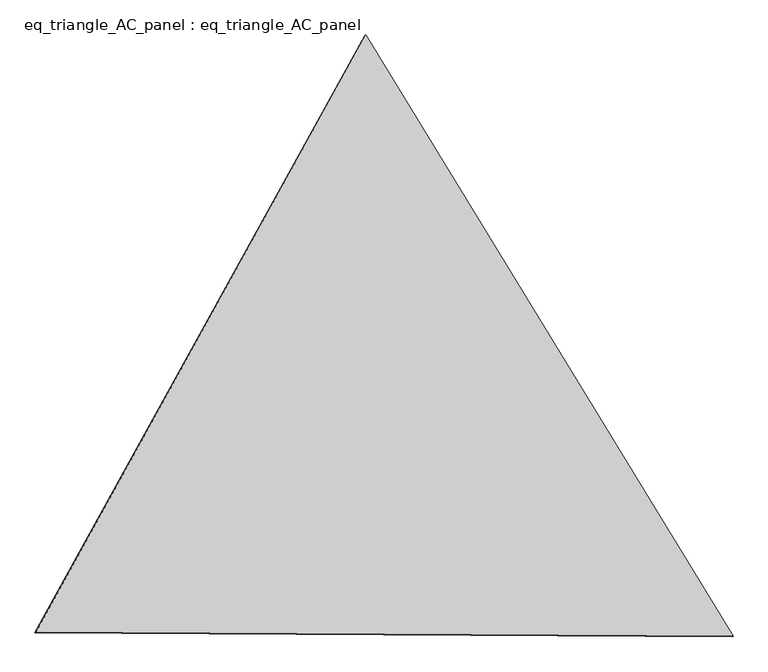
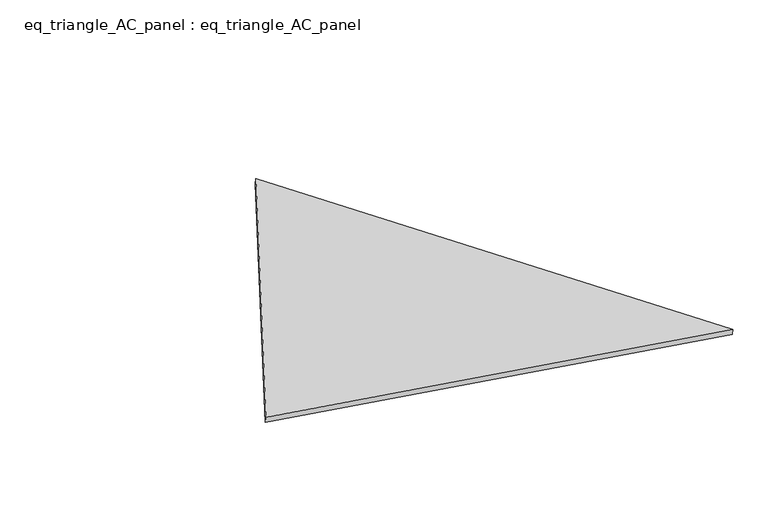
"""IFC4 building model written with IfcOpenShell, lengths in millimetres: proxy geometry, eq_triangle_AC_panel : eq_triangle_AC_panel."""

import ifcopenshell
import ifcopenshell.guid

model = None  # the IFC model being written
_history = None  # IfcOwnerHistory: only IFC2X3 demands one
_inside = {}  # id of a spatial element -> (the spatial element, [elements in it])
_under = {}  # id of a project, library or spatial element -> (it, [spatial elements below it])
_declared = {}  # id of a project -> (the project, [libraries it declares])
_typed = {}  # id of a type object -> (the type object, [elements of that type])
_made_of = {}  # id of a material, layer set ... -> (it, [elements and type objects made of it])


def new_model(schema):
    """Start an empty IFC model of exactly this schema.

    Asked for "IFC4X3", IfcOpenShell would pick the latest addendum, in which some entities
    have other attributes; the version numbers below select the first issue.
    IFC2X3 requires an IfcOwnerHistory on every rooted entity: one is made here for all.
    """
    global model, _history
    if schema == "IFC4X3":
        model = ifcopenshell.file(schema_version=(4, 3, 0, 0))
    else:
        model = ifcopenshell.file(schema=schema)
    _inside.clear()
    _under.clear()
    _declared.clear()
    _typed.clear()
    _made_of.clear()
    _history = None
    if model.schema == "IFC2X3":
        org = make("IfcOrganization", Name="unknown")
        user = make(
            "IfcPersonAndOrganization",
            ThePerson=make("IfcPerson", FamilyName="unknown"),
            TheOrganization=org,
        )
        app = make(
            "IfcApplication",
            ApplicationDeveloper=org,
            Version="unknown",
            ApplicationFullName="unknown",
            ApplicationIdentifier="unknown",
        )
        _history = make(
            "IfcOwnerHistory",
            OwningUser=user,
            OwningApplication=app,
            ChangeAction="ADDED",
            CreationDate=0,
        )
    return model


def make(cls, **values):
    """One entity of the class cls with the attributes given. An attribute that is None is left unset."""
    return model.create_entity(
        cls, **{name: value for name, value in values.items() if value is not None}
    )


def rooted(cls, **values):
    """An entity with a GlobalId (a new one), such as an element, a storey or a relation."""
    return make(cls, GlobalId=ifcopenshell.guid.new(), OwnerHistory=_history, **values)


def si_unit(unit_type, name, prefix=None):
    """IfcSIUnit, for example si_unit("LENGTHUNIT", "METRE", prefix="MILLI")."""
    return make("IfcSIUnit", UnitType=unit_type, Prefix=prefix, Name=name)


def assignment(units):
    """IfcUnitAssignment: the units of a project."""
    return None if units is None else make("IfcUnitAssignment", Units=units)


def point(xyz):
    """IfcCartesianPoint."""
    return None if xyz is None else make("IfcCartesianPoint", Coordinates=xyz)


def direction(xyz):
    """IfcDirection."""
    return None if xyz is None else make("IfcDirection", DirectionRatios=xyz)


def frame(location, z_axis=None, x_axis=None):
    """IfcAxis2Placement3D, a coordinate frame: its origin and axes. An axis left out is left unset."""
    return make(
        "IfcAxis2Placement3D",
        Location=point(location),
        Axis=direction(z_axis),
        RefDirection=direction(x_axis),
    )


def origin():
    """The frame at (0, 0, 0) with its axes left unset."""
    return frame((0.0, 0.0, 0.0))


def place(relative_to, where):
    """IfcLocalPlacement: puts the frame where relative to a parent placement (None: the world)."""
    return make(
        "IfcLocalPlacement", PlacementRelTo=relative_to, RelativePlacement=where
    )


def context(
    kind, dimensions, precision=None, world=None, true_north=None, identifier=None
):
    """IfcGeometricRepresentationContext, for example the 3D "Model" context."""
    return make(
        "IfcGeometricRepresentationContext",
        ContextIdentifier=identifier,
        ContextType=kind,
        CoordinateSpaceDimension=dimensions,
        Precision=precision,
        WorldCoordinateSystem=world,
        TrueNorth=true_north,
    )


def project(units=None, contexts=None):
    """IfcProject with its units and contexts."""
    return rooted(
        "IfcProject",
        Name="project",
        RepresentationContexts=contexts,
        UnitsInContext=assignment(units),
    )


def spatial(cls, under=None, at=None, **own):
    """A site, building, storey or space (cls), placed at a placement, below another one or the project."""
    s = rooted(cls, ObjectPlacement=at, **own)
    if under is not None:
        _under.setdefault(under.id(), (under, []))[1].append(s)
    return s


def polyline(points):
    """IfcPolyline through the points."""
    return make("IfcPolyline", Points=[point(p) for p in points])


def outline(outer, holes=None, kind="AREA"):
    """IfcArbitraryClosedProfileDef: a profile drawn as a closed curve; with holes, ...WithVoids."""
    if holes is None:
        return make("IfcArbitraryClosedProfileDef", ProfileType=kind, OuterCurve=outer)
    return make(
        "IfcArbitraryProfileDefWithVoids",
        ProfileType=kind,
        OuterCurve=outer,
        InnerCurves=holes,
    )


def extrude(swept, where, along, depth):
    """IfcExtrudedAreaSolid: the profile swept, set in the frame where, extruded along a direction by depth."""
    return make(
        "IfcExtrudedAreaSolid",
        SweptArea=swept,
        Position=where,
        ExtrudedDirection=direction(along),
        Depth=depth,
    )


def shape(context_of_items, identifier, shape_type, items):
    """IfcShapeRepresentation: the items that make up one representation, for example the "Body"."""
    return make(
        "IfcShapeRepresentation",
        ContextOfItems=context_of_items,
        RepresentationIdentifier=identifier,
        RepresentationType=shape_type,
        Items=items,
    )


def source(mapping_origin, context_of_items, identifier, shape_type, items):
    """IfcRepresentationMap: a shape defined once, which mapped items show again and again."""
    return make(
        "IfcRepresentationMap",
        MappingOrigin=mapping_origin,
        MappedRepresentation=shape(context_of_items, identifier, shape_type, items),
    )


def transform(
    local_origin,
    x_axis=None,
    y_axis=None,
    z_axis=None,
    scale=None,
    scale2=None,
    scale3=None,
    uniform=True,
):
    """IfcCartesianTransformationOperator3D, or its non-uniform kind. x_axis, y_axis, z_axis: its Axis1, 2, 3."""
    if uniform:
        return make(
            "IfcCartesianTransformationOperator3D",
            Axis1=direction(x_axis),
            Axis2=direction(y_axis),
            LocalOrigin=point(local_origin),
            Scale=scale,
            Axis3=direction(z_axis),
        )
    return make(
        "IfcCartesianTransformationOperator3DnonUniform",
        Axis1=direction(x_axis),
        Axis2=direction(y_axis),
        LocalOrigin=point(local_origin),
        Scale=scale,
        Axis3=direction(z_axis),
        Scale2=scale2,
        Scale3=scale3,
    )


def mapped(mapping_source, mapping_target):
    """IfcMappedItem: shows the shape of a source again, moved by a transform."""
    return make(
        "IfcMappedItem", MappingSource=mapping_source, MappingTarget=mapping_target
    )


def made_of(thing, what):
    """Note that an element or type object is made of a material, layer set ...; save() writes the relation."""
    if what is not None:
        _made_of.setdefault(what.id(), (what, []))[1].append(thing)
    return thing


def element(
    cls,
    number,
    at=None,
    inside=None,
    cuts=None,
    type_object=None,
    material=None,
    context=None,
    identifier="Body",
    shape_type=None,
    held_by="IfcProductDefinitionShape",
    body=None,
    shapes=None,
    **own,
):
    """One element of the class cls, such as IfcWall. Its Tag is "e" and its number.

    at: its placement. inside: the storey or other place that contains it. cuts: it is an
    opening in that element (IfcRelVoidsElement). A single representation is given by context,
    identifier, shape_type and body (its items); several are given by shapes. held_by: the class
    of the entity that holds the representations. save() writes the other relations.
    """
    e = rooted(cls, Tag="e%d" % number, ObjectPlacement=at, **own)
    if body is not None:
        shapes = [shape(context, identifier, shape_type, body)]
    if shapes is not None:
        e.Representation = make(held_by, Representations=shapes)
    if inside is not None:
        _inside.setdefault(inside.id(), (inside, []))[1].append(e)
    if cuts is not None:
        rooted(
            "IfcRelVoidsElement", RelatingBuildingElement=cuts, RelatedOpeningElement=e
        )
    if type_object is not None:
        _typed.setdefault(type_object.id(), (type_object, []))[1].append(e)
    return made_of(e, material)


def aggregate(whole, parts):
    """IfcRelAggregates: a whole, such as a stair, and the parts it consists of."""
    return rooted("IfcRelAggregates", RelatingObject=whole, RelatedObjects=parts)


def save(model, path):
    """Write the relations noted so far, then the file.

    IfcRelAggregates (storeys below a building ...), IfcRelContainedInSpatialStructure (elements
    in a storey), IfcRelDefinesByType, IfcRelAssociatesMaterial and IfcRelDeclares: one each for
    every whole, place, type object, material and project.
    """
    for whole, parts in _under.values():
        aggregate(whole, parts)
    for where, things in _inside.values():
        rooted(
            "IfcRelContainedInSpatialStructure",
            RelatedElements=things,
            RelatingStructure=where,
        )
    for kind, things in _typed.values():
        rooted("IfcRelDefinesByType", RelatedObjects=things, RelatingType=kind)
    for what, things in _made_of.values():
        rooted("IfcRelAssociatesMaterial", RelatedObjects=things, RelatingMaterial=what)
    for by, libraries in _declared.values():
        rooted("IfcRelDeclares", RelatingContext=by, RelatedDefinitions=libraries)
    model.write(path)


def eq_triangle_ac_panel_eq_triangle_ac_panel_0ceb5cb5(model_context):
    return source(origin(), model_context, "Body", "SweptSolid", [
        extrude(outline(polyline([(-2032.8224173, 1173.1561745), (2091.2924758, 1173.1561745), (-58.4700588, -2346.3123489), (-2032.8224173, 1173.1561745)])), frame((0.0038051, 527.9290861, 89.8240019), z_axis=(0.14526328518059417, 0.0838657028180435, 0.9858321976225859), x_axis=(0.5211165188222648, -0.8534753029941858, -0.004181027331514564)), (0.0, 0.0, 1.0), 43.8306294),
    ])


if __name__ == "__main__":
    model = new_model("IFC4")
    model_context = context("Model", 3, world=origin())
    ifc_project = project(units=[si_unit("LENGTHUNIT", "METRE", prefix="MILLI")], contexts=[model_context])
    site = spatial("IfcSite", under=ifc_project)
    building = spatial("IfcBuilding", under=site)
    placement = place(None, origin())
    eq_triangle_ac_panel_eq_triangle_ac_panel_shape = eq_triangle_ac_panel_eq_triangle_ac_panel_0ceb5cb5(model_context)
    element("IfcBuildingElementProxy", 1, Name="eq_triangle_AC_panel : eq_triangle_AC_panel", ObjectType="eq_triangle_AC_panel : eq_triangle_AC_panel", at=placement, inside=building, context=model_context, shape_type="MappedRepresentation", body=[
        mapped(eq_triangle_ac_panel_eq_triangle_ac_panel_shape, transform((0.0, 0.0, 0.0), x_axis=(1.0, 0.0, 0.0), y_axis=(0.0, 1.0, 0.0), z_axis=(0.0, 0.0, 1.0))),
    ])
    save(model, "model.ifc")
